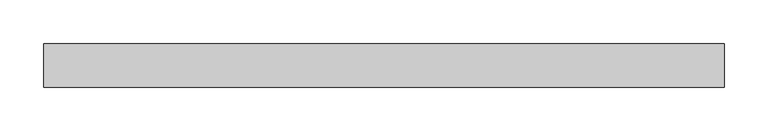
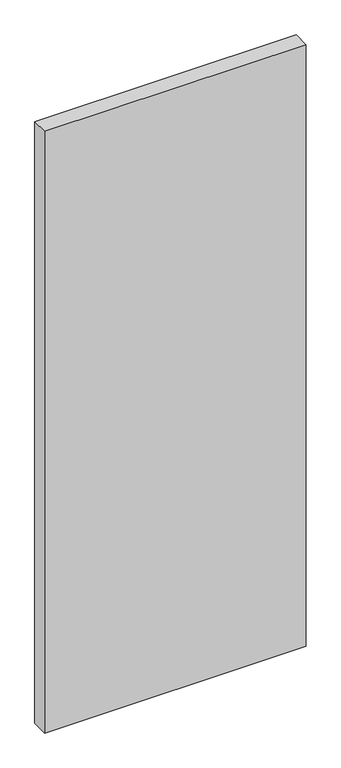
"""IFC4 building model written with IfcOpenShell, lengths in millimetres: plate geometry."""

from ifc_helpers import new_model, si_unit, origin, origin_with_axes, place, context, project, spatial, polyline, outline, extrude, source, transform, mapped, element, save


def plate_5e9edd35(model_context):
    return source(origin(), model_context, "Body", "SweptSolid", [
        extrude(outline(polyline([(390.9084215, -25.0), (-390.9084215, -25.0), (-390.9084215, 25.0), (390.9084215, 25.0), (390.9084215, -25.0)])), origin_with_axes(), (0.0, 0.0, 1.0), 1900.0),
    ])


if __name__ == "__main__":
    model = new_model("IFC4")
    model_context = context("Model", 3, world=origin())
    ifc_project = project(units=[si_unit("LENGTHUNIT", "METRE", prefix="MILLI")], contexts=[model_context])
    site = spatial("IfcSite", under=ifc_project)
    building = spatial("IfcBuilding", under=site)
    placement = place(None, origin())
    plate_shape = plate_5e9edd35(model_context)
    element("IfcPlate", 1, at=placement, inside=building, context=model_context, shape_type="MappedRepresentation", body=[
        mapped(plate_shape, transform((0.0, 0.0, 0.0), x_axis=(1.0, 0.0, 0.0), y_axis=(0.0, 1.0, 0.0), z_axis=(0.0, 0.0, 1.0))),
    ])
    save(model, "model.ifc")
